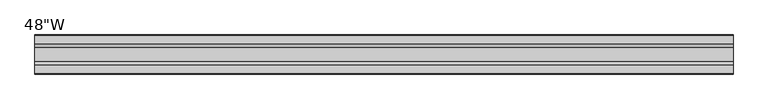
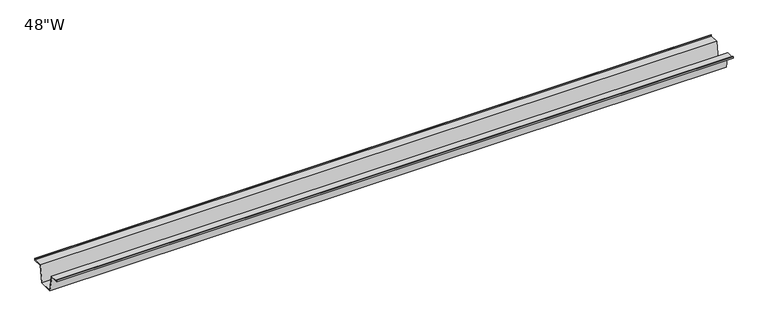
"""IFC4 building model written with IfcOpenShell, lengths in millimetres: furniture geometry."""

from ifc_helpers import new_model, si_unit, frame, origin, place, context, project, spatial, polyline, outline, extrude, source, transform, mapped, element, save


def furniture_17a41a67(model_context):
    return source(origin(), model_context, "Body", "SweptSolid", [
        extrude(outline(polyline([(-22.9397721, 688.975), (-28.502372, 658.7490007), (-53.9023728, 658.7490007), (-59.4649727, 688.975), (-75.3653716, 688.975), (-75.3653716, 692.15), (-74.5716216, 692.15), (-74.5716216, 689.76875), (-58.8172994, 689.76875), (-53.2546995, 659.5427507), (-29.1500453, 659.5427507), (-23.5874454, 689.76875), (-7.8331232, 689.76875), (-7.8331232, 692.15), (-7.0393732, 692.15), (-7.0393732, 688.975), (-22.9397721, 688.975)])), frame((-609.6, 0.0, 0.0), z_axis=(1.0, 0.0, 0.0), x_axis=(0.0, 1.0, 0.0)), (0.0, 0.0, 1.0), 1219.2),
    ])


if __name__ == "__main__":
    model = new_model("IFC4")
    model_context = context("Model", 3, world=origin())
    ifc_project = project(units=[si_unit("LENGTHUNIT", "METRE", prefix="MILLI")], contexts=[model_context])
    site = spatial("IfcSite", under=ifc_project)
    building = spatial("IfcBuilding", under=site)
    placement = place(None, origin())
    furniture_shape = furniture_17a41a67(model_context)
    element("IfcFurniture", 1, ObjectType="48\"W", at=placement, inside=building, context=model_context, shape_type="MappedRepresentation", body=[
        mapped(furniture_shape, transform((0.0, 0.0, 0.0), x_axis=(1.0, 0.0, 0.0), y_axis=(0.0, 1.0, 0.0), z_axis=(0.0, 0.0, 1.0))),
    ])
    save(model, "model.ifc")
